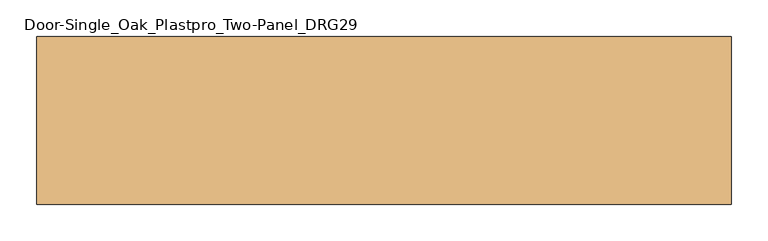
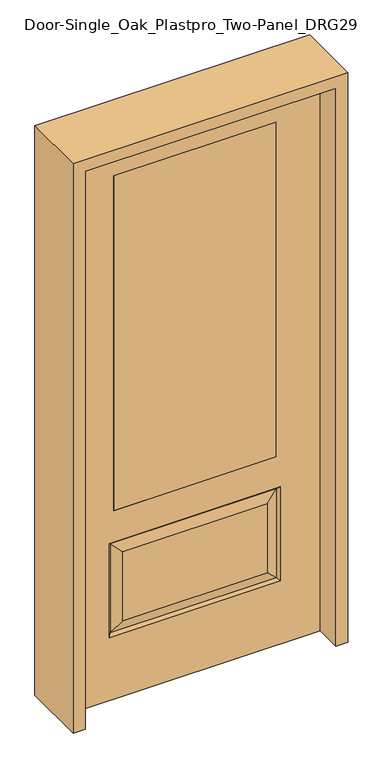
"""IFC4 building model written with IfcOpenShell, lengths in millimetres: door geometry, Door-Single_Oak_Plastpro_Two-Panel_DRG29."""

from ifc_helpers import new_model, si_unit, frame, origin, place, context, project, spatial, polyline, outline, extrude, faceted_brep, source, transform, mapped, element, save


def door_single_oak_plastpro_two_panel_drg29_1097a2ce(model_context):
    return source(origin(), model_context, "Body", "SolidModel", [
        extrude(outline(polyline([(-279.4, -20.6375), (-279.4, 20.6375), (279.4, 20.6375), (279.4, -20.6375), (-279.4, -20.6375)])), frame((0.0, 0.0, 685.8), z_axis=(0.0, 0.0, 1.0), x_axis=(1.0, 0.0, 0.0)), (0.0, 0.0, 1.0), 1219.2),
        faceted_brep([(-249.1224548, -20.6375, 274.7525452), (249.1224548, -20.6375, 274.7525452), (249.1224548, -20.6375, 525.3474548), (-249.1224548, -20.6375, 525.3474548), (431.8, -20.6375, 2032.0), (-431.8, -20.6375, 2032.0), (-431.8, -20.6375, 0.0), (431.8, -20.6375, 0.0), (295.1599548, -20.6375, 228.7150452), (-295.1599548, -20.6375, 228.7150452), (-295.1599548, -20.6375, 571.3849548), (295.1599548, -20.6375, 571.3849548), (-279.4, -20.6375, 1905.0), (279.4, -20.6375, 1905.0), (279.4, -20.6375, 685.8), (-279.4, -20.6375, 685.8), (-279.4, 20.6375, 1905.0), (-279.4, 20.6375, 685.8), (279.4, 20.6375, 685.8), (249.1224548, 20.6375, 274.7525452), (-249.1224548, 20.6375, 274.7525452), (-249.1224548, 20.6375, 525.3474548), (249.1224548, 20.6375, 525.3474548), (-431.8, 20.6375, 2032.0), (431.8, 20.6375, 2032.0), (431.8, 20.6375, 0.0), (-431.8, 20.6375, 0.0), (-295.1599548, 20.6375, 228.7150452), (295.1599548, 20.6375, 228.7150452), (295.1599548, 20.6375, 571.3849548), (-295.1599548, 20.6375, 571.3849548), (279.4, 20.6375, 1905.0), (286.1796986, -11.6572439, 237.6953014), (-286.1796986, -11.6572439, 237.6953014), (-286.1796986, -11.6572439, 562.4046986), (286.1796986, -11.6572439, 562.4046986), (286.1796986, 11.6572439, 237.6953014), (-286.1796986, 11.6572439, 237.6953014), (-286.1796986, 11.6572439, 562.4046986), (286.1796986, 11.6572439, 562.4046986)], [[[0, 1, 2, 3]], [[4, 5, 6, 7], [8, 9, 10, 11], [12, 13, 14, 15]], [[16, 12, 15, 17]], [[17, 15, 14, 18]], [[19, 20, 21, 22]], [[23, 24, 25, 26], [27, 28, 29, 30], [31, 16, 17, 18]], [[13, 31, 18, 14]], [[6, 26, 25, 7]], [[5, 23, 26, 6]], [[24, 4, 7, 25]], [[32, 33, 9, 8]], [[9, 33, 34, 10]], [[10, 34, 35, 11]], [[32, 8, 11, 35]], [[33, 32, 1, 0]], [[1, 32, 35, 2]], [[34, 3, 2, 35]], [[33, 0, 3, 34]], [[36, 37, 20, 19]], [[20, 37, 38, 21]], [[21, 38, 39, 22]], [[36, 19, 22, 39]], [[37, 36, 28, 27]], [[28, 36, 39, 29]], [[38, 30, 29, 39]], [[37, 27, 30, 38]], [[12, 16, 31, 13]], [[5, 4, 24, 23]]]),
        extrude(outline(polyline([(2073.275, -473.075), (0.0, -473.075), (0.0, -431.8), (2032.0, -431.8), (2032.0, 431.8), (0.0, 431.8), (0.0, 473.075), (2073.275, 473.075), (2073.275, -473.075)])), frame((0.0, -114.3, 0.0), z_axis=(0.0, 1.0, 0.0), x_axis=(0.0, 0.0, 1.0)), (0.0, 0.0, 1.0), 228.6),
    ])


if __name__ == "__main__":
    model = new_model("IFC4")
    model_context = context("Model", 3, world=origin())
    ifc_project = project(units=[si_unit("LENGTHUNIT", "METRE", prefix="MILLI")], contexts=[model_context])
    site = spatial("IfcSite", under=ifc_project)
    building = spatial("IfcBuilding", under=site)
    placement = place(None, origin())
    door_single_oak_plastpro_two_panel_drg29_shape = door_single_oak_plastpro_two_panel_drg29_1097a2ce(model_context)
    element("IfcDoor", 1, ObjectType="Door-Single_Oak_Plastpro_Two-Panel_DRG29", at=placement, inside=building, context=model_context, shape_type="MappedRepresentation", body=[
        mapped(door_single_oak_plastpro_two_panel_drg29_shape, transform((0.0, 0.0, 0.0), x_axis=(1.0, 0.0, 0.0), y_axis=(0.0, 1.0, 0.0), z_axis=(0.0, 0.0, 1.0))),
    ])
    save(model, "model.ifc")
